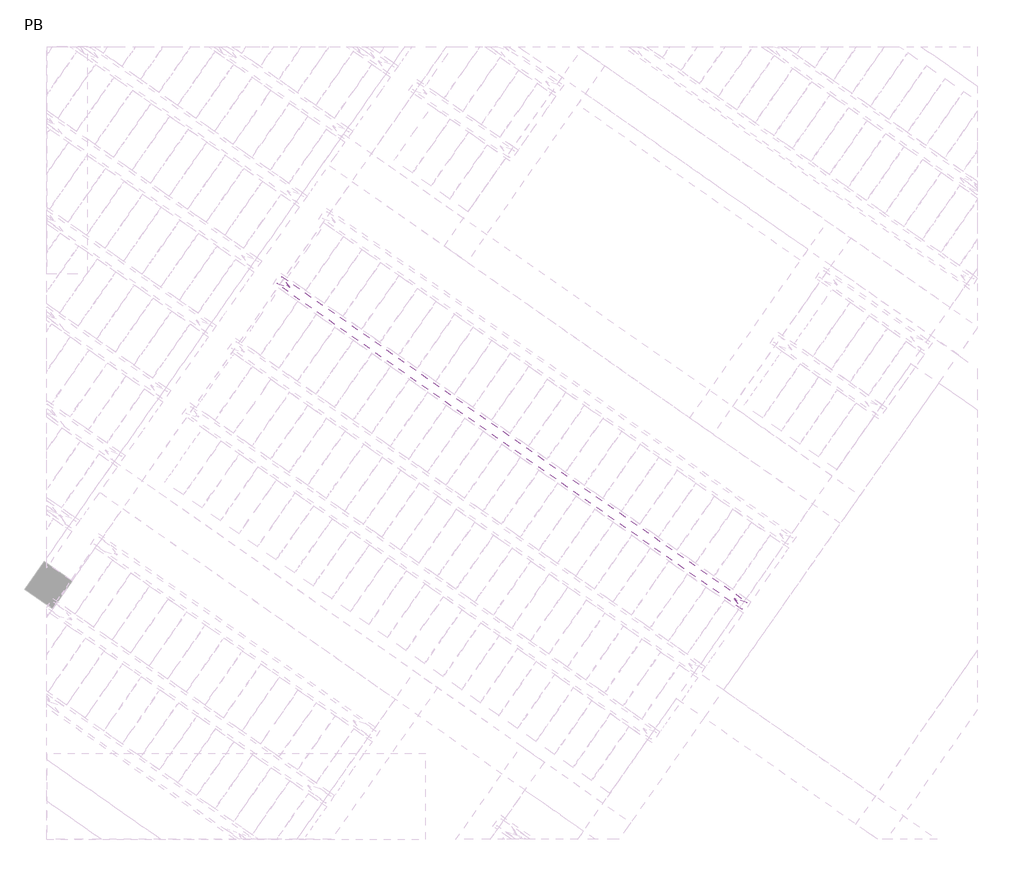
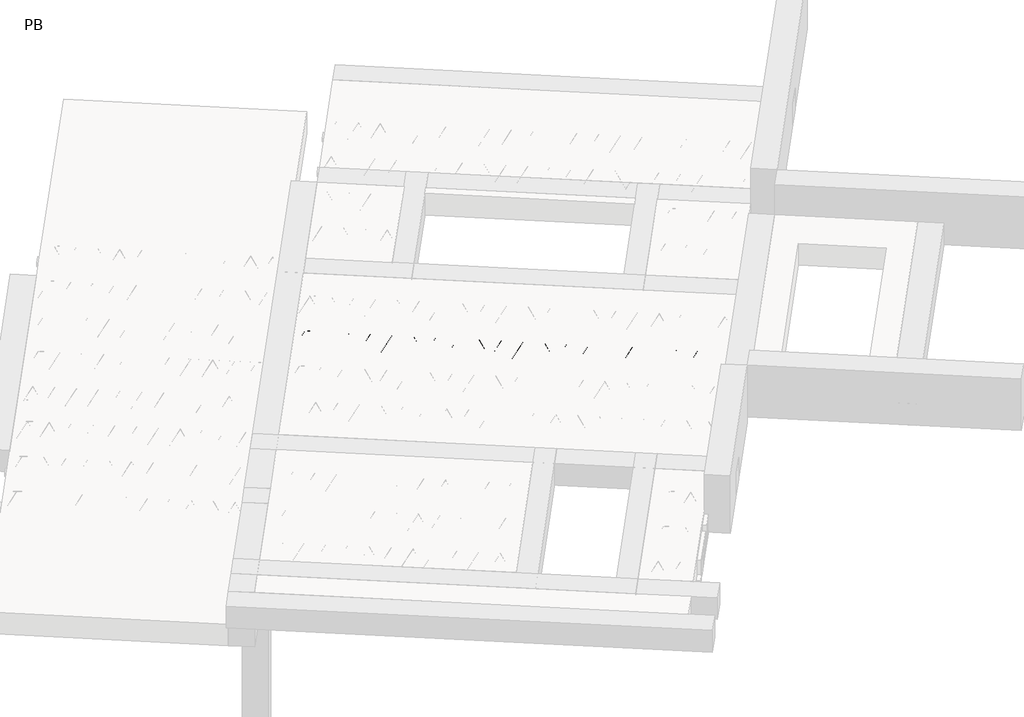
# One storey, part 23 of 56: 2 beams.
"""IFC4 building model written with IfcOpenShell, lengths in millimetres."""

from ifc_helpers import new_model, si_unit, point, frame, origin, origin_2d, place, context, project, spatial, polyline, circle_curve, trimmed, segment, composite_curve, outline, extrude, element, save

model = new_model("IFC4")

# Units and contexts
model_context = context("Model", 3, world=origin())
ifc_project = project(units=[si_unit("LENGTHUNIT", "METRE", prefix="MILLI")], contexts=[model_context])

# Site, building, storey
site = spatial("IfcSite", under=ifc_project)
building = spatial("IfcBuilding", under=site)
storey = spatial("IfcBuildingStorey", under=building, Name="PB", Elevation=95940.0)

# Beams
placement = place(None, origin())
element("IfcBeam", 1, at=placement, inside=storey, context=model_context, shape_type="SweptSolid", body=[
    extrude(outline(polyline([(4128.4861055, 4922.5047808), (4197.3152778, 5020.8030261), (8346.774221, 2115.3205944), (8277.9450486, 2017.0223491), (4128.4861055, 4922.5047808)])), frame((0.0, 0.0, 99220.0), z_axis=(0.0, 0.0, 1.0), x_axis=(1.0, 0.0, 0.0)), (0.0, 0.0, 1.0), 50.0),
])
element("IfcBeam", 2, at=placement, inside=storey, context=model_context, shape_type="SweptSolid", body=[
    extrude(outline(composite_curve([segment(trimmed(circle_curve(origin_2d(), 2.5), [point((-2.5, 0.0))], [point((2.5, 0.0))], False, "CARTESIAN"), True, "CONTINUOUS"), segment(trimmed(circle_curve(origin_2d(), 2.5), [point((2.5, 0.0))], [point((-2.5, 0.0))], False, "CARTESIAN"), True, "CONTINUOUS")], self_intersect=False)), frame((8272.051234, 2050.4478326, 99245.0), z_axis=(-0.8191520442696126, 0.5735764363787226, 0.0), x_axis=(0.5735764363787226, 0.8191520442696126, 0.0)), (0.0, 0.0, 1.0), 5017.554035),
    extrude(outline(composite_curve([segment(trimmed(circle_curve(origin_2d(), 2.5), [point((-2.5, 0.0))], [point((2.5, 0.0))], False, "CARTESIAN"), True, "CONTINUOUS"), segment(trimmed(circle_curve(origin_2d(), 2.5), [point((2.5, 0.0))], [point((-2.5, 0.0))], False, "CARTESIAN"), True, "CONTINUOUS")], self_intersect=False)), frame((8224.0738707, 2127.9898293, 99470.0), z_axis=(-0.8191520442696126, 0.5735764363787226, 0.0), x_axis=(0.5735764363787226, 0.8191520442696126, 0.0)), (0.0, 0.0, 1.0), 4850.0),
    extrude(outline(composite_curve([segment(trimmed(circle_curve(origin_2d(), 2.5), [point((-2.5, -1e-07))], [point((2.5, 0.0))], False, "CARTESIAN"), True, "CONTINUOUS"), segment(trimmed(circle_curve(origin_2d(), 2.5), [point((2.5, 0.0))], [point((-2.5, -1e-07))], False, "CARTESIAN"), True, "CONTINUOUS")], self_intersect=False)), frame((8264.8615223, 2055.482123, 99245.0), z_axis=(-0.3145304735701046, 0.38933448886848654, 0.8657304643902053), x_axis=(0.7778747638402499, 0.6284193279813057, 0.0)), (0.0, 0.0, 1.0), 259.8961331),
    extrude(outline(composite_curve([segment(trimmed(circle_curve(origin_2d(), 2.5), [point((2.5, 0.0))], [point((-2.5, 0.0))], False, "CARTESIAN"), True, "CONTINUOUS"), segment(trimmed(circle_curve(origin_2d(), 2.5), [point((-2.5, 0.0))], [point((2.5, 0.0))], False, "CARTESIAN"), True, "CONTINUOUS")], self_intersect=False)), frame((8060.0735112, 2198.8762321, 99245.0), z_axis=(0.47343050384693375, -0.16240172737369005, 0.8657304643902051), x_axis=(-0.3244721671091268, -0.9458952440791246, 0.0)), (0.0, 0.0, 1.0), 259.8961331),
    extrude(outline(composite_curve([segment(trimmed(circle_curve(origin_2d(), 2.5), [point((-2.5, 0.0))], [point((2.5, 0.0))], False, "CARTESIAN"), True, "CONTINUOUS"), segment(trimmed(circle_curve(origin_2d(), 2.5), [point((2.5, 0.0))], [point((-2.5, 0.0))], False, "CARTESIAN"), True, "CONTINUOUS")], self_intersect=False)), frame((8060.0735112, 2198.8762321, 99245.0), z_axis=(-0.3145304735701046, 0.38933448886848654, 0.8657304643902053), x_axis=(0.7778747638402499, 0.6284193279813057, 0.0)), (0.0, 0.0, 1.0), 259.8961331),
    extrude(outline(composite_curve([segment(trimmed(circle_curve(origin_2d(), 2.5), [point((2.5, 0.0))], [point((-2.5, 1e-07))], False, "CARTESIAN"), True, "CONTINUOUS"), segment(trimmed(circle_curve(origin_2d(), 2.5), [point((-2.5, 1e-07))], [point((2.5, 0.0))], False, "CARTESIAN"), True, "CONTINUOUS")], self_intersect=False)), frame((7855.2855001, 2342.2703412, 99245.0), z_axis=(0.47343050384693375, -0.16240172737369005, 0.8657304643902051), x_axis=(-0.3244721671091268, -0.9458952440791246, 0.0)), (0.0, 0.0, 1.0), 259.8961331),
    extrude(outline(composite_curve([segment(trimmed(circle_curve(origin_2d(), 2.5), [point((-2.5, -1e-07))], [point((2.5, 0.0))], False, "CARTESIAN"), True, "CONTINUOUS"), segment(trimmed(circle_curve(origin_2d(), 2.5), [point((2.5, 0.0))], [point((-2.5, -1e-07))], False, "CARTESIAN"), True, "CONTINUOUS")], self_intersect=False)), frame((7855.2855001, 2342.2703412, 99245.0), z_axis=(-0.3145304735701046, 0.38933448886848654, 0.8657304643902053), x_axis=(0.7778747638402499, 0.6284193279813057, 0.0)), (0.0, 0.0, 1.0), 259.8961331),
    extrude(outline(composite_curve([segment(trimmed(circle_curve(origin_2d(), 2.5), [point((2.5000001, 0.0))], [point((-2.5, 0.0))], False, "CARTESIAN"), True, "CONTINUOUS"), segment(trimmed(circle_curve(origin_2d(), 2.5), [point((-2.5, 0.0))], [point((2.5000001, 0.0))], False, "CARTESIAN"), True, "CONTINUOUS")], self_intersect=False)), frame((7650.4974891, 2485.6644503, 99245.0), z_axis=(0.47343050384693375, -0.16240172737369005, 0.8657304643902051), x_axis=(-0.3244721671091268, -0.9458952440791246, 0.0)), (0.0, 0.0, 1.0), 259.8961331),
    extrude(outline(composite_curve([segment(trimmed(circle_curve(origin_2d(), 2.5), [point((-2.5, -1e-07))], [point((2.5, 0.0))], False, "CARTESIAN"), True, "CONTINUOUS"), segment(trimmed(circle_curve(origin_2d(), 2.5), [point((2.5, 0.0))], [point((-2.5, -1e-07))], False, "CARTESIAN"), True, "CONTINUOUS")], self_intersect=False)), frame((7650.4974891, 2485.6644503, 99245.0), z_axis=(-0.3145304735701046, 0.38933448886848654, 0.8657304643902053), x_axis=(0.7778747638402499, 0.6284193279813057, 0.0)), (0.0, 0.0, 1.0), 259.8961331),
    extrude(outline(composite_curve([segment(trimmed(circle_curve(origin_2d(), 2.5), [point((2.5000001, 0.0))], [point((-2.5, 0.0))], False, "CARTESIAN"), True, "CONTINUOUS"), segment(trimmed(circle_curve(origin_2d(), 2.5), [point((-2.5, 0.0))], [point((2.5000001, 0.0))], False, "CARTESIAN"), True, "CONTINUOUS")], self_intersect=False)), frame((7445.709478, 2629.0585594, 99245.0), z_axis=(0.47343050384693375, -0.16240172737369005, 0.8657304643902051), x_axis=(-0.3244721671091268, -0.9458952440791246, 0.0)), (0.0, 0.0, 1.0), 259.8961331),
    extrude(outline(composite_curve([segment(trimmed(circle_curve(origin_2d(), 2.5), [point((-2.5, 0.0))], [point((2.5, 0.0))], False, "CARTESIAN"), True, "CONTINUOUS"), segment(trimmed(circle_curve(origin_2d(), 2.5), [point((2.5, 0.0))], [point((-2.5, 0.0))], False, "CARTESIAN"), True, "CONTINUOUS")], self_intersect=False)), frame((7445.7094783, 2629.0585591, 99245.0), z_axis=(-0.3145304735701046, 0.38933448886848654, 0.8657304643902053), x_axis=(0.7778747638402499, 0.6284193279813057, 0.0)), (0.0, 0.0, 1.0), 259.8961331),
    extrude(outline(composite_curve([segment(trimmed(circle_curve(origin_2d(), 2.5), [point((2.5, -1e-07))], [point((-2.5, 0.0))], False, "CARTESIAN"), True, "CONTINUOUS"), segment(trimmed(circle_curve(origin_2d(), 2.5), [point((-2.5, 0.0))], [point((2.5, -1e-07))], False, "CARTESIAN"), True, "CONTINUOUS")], self_intersect=False)), frame((7240.9214673, 2772.4526682, 99245.0), z_axis=(0.47343050384693375, -0.16240172737369005, 0.8657304643902051), x_axis=(-0.3244721671091268, -0.9458952440791246, 0.0)), (0.0, 0.0, 1.0), 259.8961331),
    extrude(outline(composite_curve([segment(trimmed(circle_curve(origin_2d(), 2.5), [point((-2.5, 0.0))], [point((2.5, 0.0))], False, "CARTESIAN"), True, "CONTINUOUS"), segment(trimmed(circle_curve(origin_2d(), 2.5), [point((2.5, 0.0))], [point((-2.5, 0.0))], False, "CARTESIAN"), True, "CONTINUOUS")], self_intersect=False)), frame((7240.9214673, 2772.4526682, 99245.0), z_axis=(-0.3145304735701046, 0.38933448886848654, 0.8657304643902053), x_axis=(0.7778747638402499, 0.6284193279813057, 0.0)), (0.0, 0.0, 1.0), 259.8961331),
    extrude(outline(composite_curve([segment(trimmed(circle_curve(origin_2d(), 2.5), [point((2.5, 0.0))], [point((-2.5, 0.0))], False, "CARTESIAN"), True, "CONTINUOUS"), segment(trimmed(circle_curve(origin_2d(), 2.5), [point((-2.5, 0.0))], [point((2.5, 0.0))], False, "CARTESIAN"), True, "CONTINUOUS")], self_intersect=False)), frame((7036.1334562, 2915.8467773, 99245.0), z_axis=(0.47343050384693375, -0.16240172737369005, 0.8657304643902051), x_axis=(-0.3244721671091268, -0.9458952440791246, 0.0)), (0.0, 0.0, 1.0), 259.8961331),
    extrude(outline(composite_curve([segment(trimmed(circle_curve(origin_2d(), 2.5), [point((-2.5, 0.0))], [point((2.5, 0.0))], False, "CARTESIAN"), True, "CONTINUOUS"), segment(trimmed(circle_curve(origin_2d(), 2.5), [point((2.5, 0.0))], [point((-2.5, 0.0))], False, "CARTESIAN"), True, "CONTINUOUS")], self_intersect=False)), frame((7036.1334562, 2915.8467773, 99245.0), z_axis=(-0.3145304735701046, 0.38933448886848654, 0.8657304643902053), x_axis=(0.7778747638402499, 0.6284193279813057, 0.0)), (0.0, 0.0, 1.0), 259.8961331),
    extrude(outline(composite_curve([segment(trimmed(circle_curve(origin_2d(), 2.5), [point((2.5, 0.0))], [point((-2.5, 0.0))], False, "CARTESIAN"), True, "CONTINUOUS"), segment(trimmed(circle_curve(origin_2d(), 2.5), [point((-2.5, 0.0))], [point((2.5, 0.0))], False, "CARTESIAN"), True, "CONTINUOUS")], self_intersect=False)), frame((6831.3454451, 3059.2408864, 99245.0), z_axis=(0.47343050384693375, -0.16240172737369005, 0.8657304643902051), x_axis=(-0.3244721671091268, -0.9458952440791246, 0.0)), (0.0, 0.0, 1.0), 259.8961331),
    extrude(outline(composite_curve([segment(trimmed(circle_curve(origin_2d(), 2.5), [point((-2.5, 0.0))], [point((2.5, 0.0))], False, "CARTESIAN"), True, "CONTINUOUS"), segment(trimmed(circle_curve(origin_2d(), 2.5), [point((2.5, 0.0))], [point((-2.5, 0.0))], False, "CARTESIAN"), True, "CONTINUOUS")], self_intersect=False)), frame((6831.3454451, 3059.2408864, 99245.0), z_axis=(-0.3145304735701046, 0.38933448886848654, 0.8657304643902053), x_axis=(0.7778747638402499, 0.6284193279813057, 0.0)), (0.0, 0.0, 1.0), 259.8961331),
    extrude(outline(composite_curve([segment(trimmed(circle_curve(origin_2d(), 2.5), [point((2.5, -1e-07))], [point((-2.5, 0.0))], False, "CARTESIAN"), True, "CONTINUOUS"), segment(trimmed(circle_curve(origin_2d(), 2.5), [point((-2.5, 0.0))], [point((2.5, -1e-07))], False, "CARTESIAN"), True, "CONTINUOUS")], self_intersect=False)), frame((6626.5574341, 3202.6349955, 99245.0), z_axis=(0.47343050384693375, -0.16240172737369005, 0.8657304643902051), x_axis=(-0.3244721671091268, -0.9458952440791246, 0.0)), (0.0, 0.0, 1.0), 259.8961331),
    extrude(outline(composite_curve([segment(trimmed(circle_curve(origin_2d(), 2.5), [point((-2.5000001, 1e-07))], [point((2.5, 0.0))], False, "CARTESIAN"), True, "CONTINUOUS"), segment(trimmed(circle_curve(origin_2d(), 2.5), [point((2.5, 0.0))], [point((-2.5000001, 1e-07))], False, "CARTESIAN"), True, "CONTINUOUS")], self_intersect=False)), frame((6626.5574341, 3202.6349955, 99245.0), z_axis=(-0.3145304735701046, 0.38933448886848654, 0.8657304643902053), x_axis=(0.7778747638402499, 0.6284193279813057, 0.0)), (0.0, 0.0, 1.0), 259.8961331),
    extrude(outline(composite_curve([segment(trimmed(circle_curve(origin_2d(), 2.5), [point((2.5, 0.0))], [point((-2.5, 0.0))], False, "CARTESIAN"), True, "CONTINUOUS"), segment(trimmed(circle_curve(origin_2d(), 2.5), [point((-2.5, 0.0))], [point((2.5, 0.0))], False, "CARTESIAN"), True, "CONTINUOUS")], self_intersect=False)), frame((6421.769423, 3346.0291046, 99245.0), z_axis=(0.47343050384693375, -0.16240172737369005, 0.8657304643902051), x_axis=(-0.3244721671091268, -0.9458952440791246, 0.0)), (0.0, 0.0, 1.0), 259.8961331),
    extrude(outline(composite_curve([segment(trimmed(circle_curve(origin_2d(), 2.5), [point((-2.5, 0.0))], [point((2.5, 0.0))], False, "CARTESIAN"), True, "CONTINUOUS"), segment(trimmed(circle_curve(origin_2d(), 2.5), [point((2.5, 0.0))], [point((-2.5, 0.0))], False, "CARTESIAN"), True, "CONTINUOUS")], self_intersect=False)), frame((6421.769423, 3346.0291046, 99245.0), z_axis=(-0.3145304735701046, 0.38933448886848654, 0.8657304643902053), x_axis=(0.7778747638402499, 0.6284193279813057, 0.0)), (0.0, 0.0, 1.0), 259.8961331),
    extrude(outline(composite_curve([segment(trimmed(circle_curve(origin_2d(), 2.5), [point((2.5, 0.0))], [point((-2.5, 0.0))], False, "CARTESIAN"), True, "CONTINUOUS"), segment(trimmed(circle_curve(origin_2d(), 2.5), [point((-2.5, 0.0))], [point((2.5, 0.0))], False, "CARTESIAN"), True, "CONTINUOUS")], self_intersect=False)), frame((6216.9814119, 3489.4232137, 99245.0), z_axis=(0.47343050384693375, -0.16240172737369005, 0.8657304643902051), x_axis=(-0.3244721671091268, -0.9458952440791246, 0.0)), (0.0, 0.0, 1.0), 259.8961331),
    extrude(outline(composite_curve([segment(trimmed(circle_curve(origin_2d(), 2.5), [point((-2.5, 0.0))], [point((2.5, 0.0))], False, "CARTESIAN"), True, "CONTINUOUS"), segment(trimmed(circle_curve(origin_2d(), 2.5), [point((2.5, 0.0))], [point((-2.5, 0.0))], False, "CARTESIAN"), True, "CONTINUOUS")], self_intersect=False)), frame((6216.9814119, 3489.4232137, 99245.0), z_axis=(-0.3145304735701046, 0.38933448886848654, 0.8657304643902053), x_axis=(0.7778747638402499, 0.6284193279813057, 0.0)), (0.0, 0.0, 1.0), 259.8961331),
    extrude(outline(composite_curve([segment(trimmed(circle_curve(origin_2d(), 2.5), [point((2.5, -1e-07))], [point((-2.5, 0.0))], False, "CARTESIAN"), True, "CONTINUOUS"), segment(trimmed(circle_curve(origin_2d(), 2.5), [point((-2.5, 0.0))], [point((2.5, -1e-07))], False, "CARTESIAN"), True, "CONTINUOUS")], self_intersect=False)), frame((6012.1934009, 3632.8173228, 99245.0), z_axis=(0.47343050384693375, -0.16240172737369005, 0.8657304643902051), x_axis=(-0.3244721671091268, -0.9458952440791246, 0.0)), (0.0, 0.0, 1.0), 259.8961331),
    extrude(outline(composite_curve([segment(trimmed(circle_curve(origin_2d(), 2.5), [point((-2.5000001, 1e-07))], [point((2.5, 0.0))], False, "CARTESIAN"), True, "CONTINUOUS"), segment(trimmed(circle_curve(origin_2d(), 2.5), [point((2.5, 0.0))], [point((-2.5000001, 1e-07))], False, "CARTESIAN"), True, "CONTINUOUS")], self_intersect=False)), frame((6012.1934009, 3632.8173228, 99245.0), z_axis=(-0.3145304735701046, 0.38933448886848654, 0.8657304643902053), x_axis=(0.7778747638402499, 0.6284193279813057, 0.0)), (0.0, 0.0, 1.0), 259.8961331),
    extrude(outline(composite_curve([segment(trimmed(circle_curve(origin_2d(), 2.5), [point((2.5, 0.0))], [point((-2.5, 0.0))], False, "CARTESIAN"), True, "CONTINUOUS"), segment(trimmed(circle_curve(origin_2d(), 2.5), [point((-2.5, 0.0))], [point((2.5, 0.0))], False, "CARTESIAN"), True, "CONTINUOUS")], self_intersect=False)), frame((5807.4053898, 3776.2114319, 99245.0), z_axis=(0.47343050384693375, -0.16240172737369005, 0.8657304643902051), x_axis=(-0.3244721671091268, -0.9458952440791246, 0.0)), (0.0, 0.0, 1.0), 259.8961331),
    extrude(outline(composite_curve([segment(trimmed(circle_curve(origin_2d(), 2.5), [point((-2.5, 0.0))], [point((2.5, 0.0))], False, "CARTESIAN"), True, "CONTINUOUS"), segment(trimmed(circle_curve(origin_2d(), 2.5), [point((2.5, 0.0))], [point((-2.5, 0.0))], False, "CARTESIAN"), True, "CONTINUOUS")], self_intersect=False)), frame((5807.4053898, 3776.2114319, 99245.0), z_axis=(-0.3145304735701046, 0.38933448886848654, 0.8657304643902053), x_axis=(0.7778747638402499, 0.6284193279813057, 0.0)), (0.0, 0.0, 1.0), 259.8961331),
    extrude(outline(composite_curve([segment(trimmed(circle_curve(origin_2d(), 2.5), [point((2.5, 0.0))], [point((-2.5, 0.0))], False, "CARTESIAN"), True, "CONTINUOUS"), segment(trimmed(circle_curve(origin_2d(), 2.5), [point((-2.5, 0.0))], [point((2.5, 0.0))], False, "CARTESIAN"), True, "CONTINUOUS")], self_intersect=False)), frame((5602.6173787, 3919.605541, 99245.0), z_axis=(0.47343050384693375, -0.16240172737369005, 0.8657304643902051), x_axis=(-0.3244721671091268, -0.9458952440791246, 0.0)), (0.0, 0.0, 1.0), 259.8961331),
    extrude(outline(composite_curve([segment(trimmed(circle_curve(origin_2d(), 2.5), [point((-2.5, 0.0))], [point((2.5, 0.0))], False, "CARTESIAN"), True, "CONTINUOUS"), segment(trimmed(circle_curve(origin_2d(), 2.5), [point((2.5, 0.0))], [point((-2.5, 0.0))], False, "CARTESIAN"), True, "CONTINUOUS")], self_intersect=False)), frame((5602.6173787, 3919.605541, 99245.0), z_axis=(-0.3145304735701046, 0.38933448886848654, 0.8657304643902053), x_axis=(0.7778747638402499, 0.6284193279813057, 0.0)), (0.0, 0.0, 1.0), 259.8961331),
    extrude(outline(composite_curve([segment(trimmed(circle_curve(origin_2d(), 2.5), [point((2.5, -1e-07))], [point((-2.5, 0.0))], False, "CARTESIAN"), True, "CONTINUOUS"), segment(trimmed(circle_curve(origin_2d(), 2.5), [point((-2.5, 0.0))], [point((2.5, -1e-07))], False, "CARTESIAN"), True, "CONTINUOUS")], self_intersect=False)), frame((5397.8293677, 4062.9996501, 99245.0), z_axis=(0.47343050384693375, -0.16240172737369005, 0.8657304643902051), x_axis=(-0.3244721671091268, -0.9458952440791246, 0.0)), (0.0, 0.0, 1.0), 259.8961331),
    extrude(outline(composite_curve([segment(trimmed(circle_curve(origin_2d(), 2.5), [point((-2.5000001, 1e-07))], [point((2.5, 0.0))], False, "CARTESIAN"), True, "CONTINUOUS"), segment(trimmed(circle_curve(origin_2d(), 2.5), [point((2.5, 0.0))], [point((-2.5000001, 1e-07))], False, "CARTESIAN"), True, "CONTINUOUS")], self_intersect=False)), frame((5397.8293677, 4062.9996501, 99245.0), z_axis=(-0.3145304735701046, 0.38933448886848654, 0.8657304643902053), x_axis=(0.7778747638402499, 0.6284193279813057, 0.0)), (0.0, 0.0, 1.0), 259.8961331),
    extrude(outline(composite_curve([segment(trimmed(circle_curve(origin_2d(), 2.5), [point((2.5, 0.0))], [point((-2.5, 0.0))], False, "CARTESIAN"), True, "CONTINUOUS"), segment(trimmed(circle_curve(origin_2d(), 2.5), [point((-2.5, 0.0))], [point((2.5, 0.0))], False, "CARTESIAN"), True, "CONTINUOUS")], self_intersect=False)), frame((5193.0413566, 4206.3937592, 99245.0), z_axis=(0.47343050384693375, -0.16240172737369005, 0.8657304643902051), x_axis=(-0.3244721671091268, -0.9458952440791246, 0.0)), (0.0, 0.0, 1.0), 259.8961331),
    extrude(outline(composite_curve([segment(trimmed(circle_curve(origin_2d(), 2.5), [point((-2.5, -1e-07))], [point((2.5, 0.0))], False, "CARTESIAN"), True, "CONTINUOUS"), segment(trimmed(circle_curve(origin_2d(), 2.5), [point((2.5, 0.0))], [point((-2.5, -1e-07))], False, "CARTESIAN"), True, "CONTINUOUS")], self_intersect=False)), frame((5193.0413566, 4206.3937592, 99245.0), z_axis=(-0.3145304735701046, 0.38933448886848654, 0.8657304643902053), x_axis=(0.7778747638402499, 0.6284193279813057, 0.0)), (0.0, 0.0, 1.0), 259.8961331),
    extrude(outline(composite_curve([segment(trimmed(circle_curve(origin_2d(), 2.5), [point((2.5, 0.0))], [point((-2.5, 0.0))], False, "CARTESIAN"), True, "CONTINUOUS"), segment(trimmed(circle_curve(origin_2d(), 2.5), [point((-2.5, 0.0))], [point((2.5, 0.0))], False, "CARTESIAN"), True, "CONTINUOUS")], self_intersect=False)), frame((4988.2533455, 4349.7878683, 99245.0), z_axis=(0.47343050384693375, -0.16240172737369005, 0.8657304643902051), x_axis=(-0.3244721671091268, -0.9458952440791246, 0.0)), (0.0, 0.0, 1.0), 259.8961331),
    extrude(outline(composite_curve([segment(trimmed(circle_curve(origin_2d(), 2.5), [point((-2.5, -1e-07))], [point((2.5, 0.0))], False, "CARTESIAN"), True, "CONTINUOUS"), segment(trimmed(circle_curve(origin_2d(), 2.5), [point((2.5, 0.0))], [point((-2.5, -1e-07))], False, "CARTESIAN"), True, "CONTINUOUS")], self_intersect=False)), frame((4988.2533455, 4349.7878683, 99245.0), z_axis=(-0.3145304735701046, 0.38933448886848654, 0.8657304643902053), x_axis=(0.7778747638402499, 0.6284193279813057, 0.0)), (0.0, 0.0, 1.0), 259.8961331),
    extrude(outline(composite_curve([segment(trimmed(circle_curve(origin_2d(), 2.5), [point((2.5000001, 0.0))], [point((-2.5, 0.0))], False, "CARTESIAN"), True, "CONTINUOUS"), segment(trimmed(circle_curve(origin_2d(), 2.5), [point((-2.5, 0.0))], [point((2.5000001, 0.0))], False, "CARTESIAN"), True, "CONTINUOUS")], self_intersect=False)), frame((4783.4653345, 4493.1819774, 99245.0), z_axis=(0.47343050384693375, -0.16240172737369005, 0.8657304643902051), x_axis=(-0.3244721671091268, -0.9458952440791246, 0.0)), (0.0, 0.0, 1.0), 259.8961331),
    extrude(outline(composite_curve([segment(trimmed(circle_curve(origin_2d(), 2.5), [point((-2.5000001, 0.0))], [point((2.5, 0.0))], False, "CARTESIAN"), True, "CONTINUOUS"), segment(trimmed(circle_curve(origin_2d(), 2.5), [point((2.5, 0.0))], [point((-2.5000001, 0.0))], False, "CARTESIAN"), True, "CONTINUOUS")], self_intersect=False)), frame((4783.4653345, 4493.1819774, 99245.0), z_axis=(-0.3145304735701046, 0.38933448886848654, 0.8657304643902053), x_axis=(0.7778747638402499, 0.6284193279813057, 0.0)), (0.0, 0.0, 1.0), 259.8961331),
    extrude(outline(composite_curve([segment(trimmed(circle_curve(origin_2d(), 2.5), [point((2.5000001, 0.0))], [point((-2.5, 0.0))], False, "CARTESIAN"), True, "CONTINUOUS"), segment(trimmed(circle_curve(origin_2d(), 2.5), [point((-2.5, 0.0))], [point((2.5000001, 0.0))], False, "CARTESIAN"), True, "CONTINUOUS")], self_intersect=False)), frame((4578.6773234, 4636.5760865, 99245.0), z_axis=(0.47343050384693375, -0.16240172737369005, 0.8657304643902051), x_axis=(-0.3244721671091268, -0.9458952440791246, 0.0)), (0.0, 0.0, 1.0), 259.8961331),
    extrude(outline(composite_curve([segment(trimmed(circle_curve(origin_2d(), 2.5), [point((-2.5, -1e-07))], [point((2.5, 0.0))], False, "CARTESIAN"), True, "CONTINUOUS"), segment(trimmed(circle_curve(origin_2d(), 2.5), [point((2.5, 0.0))], [point((-2.5, -1e-07))], False, "CARTESIAN"), True, "CONTINUOUS")], self_intersect=False)), frame((4578.6773234, 4636.5760865, 99245.0), z_axis=(-0.3145304735701046, 0.38933448886848654, 0.8657304643902053), x_axis=(0.7778747638402499, 0.6284193279813057, 0.0)), (0.0, 0.0, 1.0), 259.8961331),
    extrude(outline(composite_curve([segment(trimmed(circle_curve(origin_2d(), 2.5), [point((2.5, 0.0))], [point((-2.5000001, 0.0))], False, "CARTESIAN"), True, "CONTINUOUS"), segment(trimmed(circle_curve(origin_2d(), 2.5), [point((-2.5000001, 0.0))], [point((2.5, 0.0))], False, "CARTESIAN"), True, "CONTINUOUS")], self_intersect=False)), frame((4373.8893123, 4779.9701955, 99245.0), z_axis=(0.47343050384693375, -0.16240172737369005, 0.8657304643902051), x_axis=(-0.3244721671091268, -0.9458952440791246, 0.0)), (0.0, 0.0, 1.0), 259.8961331),
    extrude(outline(composite_curve([segment(trimmed(circle_curve(origin_2d(), 2.5), [point((-2.5, 0.0))], [point((2.5, 1e-07))], False, "CARTESIAN"), True, "CONTINUOUS"), segment(trimmed(circle_curve(origin_2d(), 2.5), [point((2.5, 1e-07))], [point((-2.5, 0.0))], False, "CARTESIAN"), True, "CONTINUOUS")], self_intersect=False)), frame((4373.8893123, 4779.9701955, 99245.0), z_axis=(-0.3145304735701046, 0.38933448886848654, 0.8657304643902053), x_axis=(0.7778747638402499, 0.6284193279813057, 0.0)), (0.0, 0.0, 1.0), 259.8961331),
    extrude(outline(composite_curve([segment(trimmed(circle_curve(origin_2d(), 2.5), [point((2.5, -1e-07))], [point((-2.5000001, 0.0))], False, "CARTESIAN"), True, "CONTINUOUS"), segment(trimmed(circle_curve(origin_2d(), 2.5), [point((-2.5000001, 0.0))], [point((2.5, -1e-07))], False, "CARTESIAN"), True, "CONTINUOUS")], self_intersect=False)), frame((4169.1013013, 4923.3643046, 99245.0), z_axis=(0.47343050384693375, -0.16240172737369005, 0.8657304643902051), x_axis=(-0.3244721671091268, -0.9458952440791246, 0.0)), (0.0, 0.0, 1.0), 259.8961331),
    extrude(outline(composite_curve([segment(trimmed(circle_curve(origin_2d(), 2.5), [point((-2.5, 0.0))], [point((2.5, 0.0))], False, "CARTESIAN"), True, "CONTINUOUS"), segment(trimmed(circle_curve(origin_2d(), 2.5), [point((2.5, 0.0))], [point((-2.5, 0.0))], False, "CARTESIAN"), True, "CONTINUOUS")], self_intersect=False)), frame((8313.3487374, 2109.4267798, 99245.0), z_axis=(-0.8191520442696126, 0.5735764363787226, 0.0), x_axis=(0.5735764363787226, 0.8191520442696126, 0.0)), (0.0, 0.0, 1.0), 5017.554035),
    extrude(outline(composite_curve([segment(trimmed(circle_curve(origin_2d(), 2.5), [point((-2.5000001, 0.0))], [point((2.5, 0.0))], False, "CARTESIAN"), True, "CONTINUOUS"), segment(trimmed(circle_curve(origin_2d(), 2.5), [point((2.5, 0.0))], [point((-2.5000001, 0.0))], False, "CARTESIAN"), True, "CONTINUOUS")], self_intersect=False)), frame((8306.1590257, 2114.4610702, 99245.0), z_axis=(-0.47343050384693375, 0.16240172737369005, 0.8657304643902051), x_axis=(0.3244721671091268, 0.9458952440791246, 0.0)), (0.0, 0.0, 1.0), 259.8961331),
    extrude(outline(composite_curve([segment(trimmed(circle_curve(origin_2d(), 2.5), [point((2.5, 1e-07))], [point((-2.5, 0.0))], False, "CARTESIAN"), True, "CONTINUOUS"), segment(trimmed(circle_curve(origin_2d(), 2.5), [point((-2.5, 0.0))], [point((2.5, 1e-07))], False, "CARTESIAN"), True, "CONTINUOUS")], self_intersect=False)), frame((8101.3710146, 2257.8551793, 99245.0), z_axis=(0.3145304735701046, -0.38933448886848654, 0.8657304643902053), x_axis=(-0.7778747638402499, -0.6284193279813057, 0.0)), (0.0, 0.0, 1.0), 259.8961331),
    extrude(outline(composite_curve([segment(trimmed(circle_curve(origin_2d(), 2.5), [point((-2.5000001, 0.0))], [point((2.5, 0.0))], False, "CARTESIAN"), True, "CONTINUOUS"), segment(trimmed(circle_curve(origin_2d(), 2.5), [point((2.5, 0.0))], [point((-2.5000001, 0.0))], False, "CARTESIAN"), True, "CONTINUOUS")], self_intersect=False)), frame((8101.3710146, 2257.8551793, 99245.0), z_axis=(-0.47343050384693375, 0.16240172737369005, 0.8657304643902051), x_axis=(0.3244721671091268, 0.9458952440791246, 0.0)), (0.0, 0.0, 1.0), 259.8961331),
    extrude(outline(composite_curve([segment(trimmed(circle_curve(origin_2d(), 2.5), [point((2.5000001, 0.0))], [point((-2.5, 0.0))], False, "CARTESIAN"), True, "CONTINUOUS"), segment(trimmed(circle_curve(origin_2d(), 2.5), [point((-2.5, 0.0))], [point((2.5000001, 0.0))], False, "CARTESIAN"), True, "CONTINUOUS")], self_intersect=False)), frame((7896.5830036, 2401.2492884, 99245.0), z_axis=(0.3145304735701046, -0.38933448886848654, 0.8657304643902053), x_axis=(-0.7778747638402499, -0.6284193279813057, 0.0)), (0.0, 0.0, 1.0), 259.8961331),
    extrude(outline(composite_curve([segment(trimmed(circle_curve(origin_2d(), 2.5), [point((-2.5000001, 0.0))], [point((2.5, 0.0))], False, "CARTESIAN"), True, "CONTINUOUS"), segment(trimmed(circle_curve(origin_2d(), 2.5), [point((2.5, 0.0))], [point((-2.5000001, 0.0))], False, "CARTESIAN"), True, "CONTINUOUS")], self_intersect=False)), frame((7896.5830036, 2401.2492884, 99245.0), z_axis=(-0.47343050384693375, 0.16240172737369005, 0.8657304643902051), x_axis=(0.3244721671091268, 0.9458952440791246, 0.0)), (0.0, 0.0, 1.0), 259.8961331),
    extrude(outline(composite_curve([segment(trimmed(circle_curve(origin_2d(), 2.5), [point((2.5, 0.0))], [point((-2.5, -1e-07))], False, "CARTESIAN"), True, "CONTINUOUS"), segment(trimmed(circle_curve(origin_2d(), 2.5), [point((-2.5, -1e-07))], [point((2.5, 0.0))], False, "CARTESIAN"), True, "CONTINUOUS")], self_intersect=False)), frame((7691.7949925, 2544.6433974, 99245.0), z_axis=(0.3145304735701046, -0.38933448886848654, 0.8657304643902053), x_axis=(-0.7778747638402499, -0.6284193279813057, 0.0)), (0.0, 0.0, 1.0), 259.8961331),
    extrude(outline(composite_curve([segment(trimmed(circle_curve(origin_2d(), 2.5), [point((-2.5, 0.0))], [point((2.5000001, 0.0))], False, "CARTESIAN"), True, "CONTINUOUS"), segment(trimmed(circle_curve(origin_2d(), 2.5), [point((2.5000001, 0.0))], [point((-2.5, 0.0))], False, "CARTESIAN"), True, "CONTINUOUS")], self_intersect=False)), frame((7691.7949925, 2544.6433974, 99245.0), z_axis=(-0.47343050384693375, 0.16240172737369005, 0.8657304643902051), x_axis=(0.3244721671091268, 0.9458952440791246, 0.0)), (0.0, 0.0, 1.0), 259.8961331),
    extrude(outline(composite_curve([segment(trimmed(circle_curve(origin_2d(), 2.5), [point((2.5, 0.0))], [point((-2.5, -1e-07))], False, "CARTESIAN"), True, "CONTINUOUS"), segment(trimmed(circle_curve(origin_2d(), 2.5), [point((-2.5, -1e-07))], [point((2.5, 0.0))], False, "CARTESIAN"), True, "CONTINUOUS")], self_intersect=False)), frame((7487.0069814, 2688.0375065, 99245.0), z_axis=(0.3145304735701046, -0.38933448886848654, 0.8657304643902053), x_axis=(-0.7778747638402499, -0.6284193279813057, 0.0)), (0.0, 0.0, 1.0), 259.8961331),
    extrude(outline(composite_curve([segment(trimmed(circle_curve(origin_2d(), 2.5), [point((-2.5, 0.0))], [point((2.5, -1e-07))], False, "CARTESIAN"), True, "CONTINUOUS"), segment(trimmed(circle_curve(origin_2d(), 2.5), [point((2.5, -1e-07))], [point((-2.5, 0.0))], False, "CARTESIAN"), True, "CONTINUOUS")], self_intersect=False)), frame((7487.0069817, 2688.0375063, 99245.0), z_axis=(-0.47343050384693375, 0.16240172737369005, 0.8657304643902051), x_axis=(0.3244721671091268, 0.9458952440791246, 0.0)), (0.0, 0.0, 1.0), 259.8961331),
    extrude(outline(composite_curve([segment(trimmed(circle_curve(origin_2d(), 2.5), [point((2.5, 0.0))], [point((-2.5, 0.0))], False, "CARTESIAN"), True, "CONTINUOUS"), segment(trimmed(circle_curve(origin_2d(), 2.5), [point((-2.5, 0.0))], [point((2.5, 0.0))], False, "CARTESIAN"), True, "CONTINUOUS")], self_intersect=False)), frame((7282.2189707, 2831.4316154, 99245.0), z_axis=(0.3145304735701046, -0.38933448886848654, 0.8657304643902053), x_axis=(-0.7778747638402499, -0.6284193279813057, 0.0)), (0.0, 0.0, 1.0), 259.8961331),
    extrude(outline(composite_curve([segment(trimmed(circle_curve(origin_2d(), 2.5), [point((-2.5, 0.0))], [point((2.5, 0.0))], False, "CARTESIAN"), True, "CONTINUOUS"), segment(trimmed(circle_curve(origin_2d(), 2.5), [point((2.5, 0.0))], [point((-2.5, 0.0))], False, "CARTESIAN"), True, "CONTINUOUS")], self_intersect=False)), frame((7282.2189707, 2831.4316154, 99245.0), z_axis=(-0.47343050384693375, 0.16240172737369005, 0.8657304643902051), x_axis=(0.3244721671091268, 0.9458952440791246, 0.0)), (0.0, 0.0, 1.0), 259.8961331),
    extrude(outline(composite_curve([segment(trimmed(circle_curve(origin_2d(), 2.5), [point((2.5, 0.0))], [point((-2.5, 0.0))], False, "CARTESIAN"), True, "CONTINUOUS"), segment(trimmed(circle_curve(origin_2d(), 2.5), [point((-2.5, 0.0))], [point((2.5, 0.0))], False, "CARTESIAN"), True, "CONTINUOUS")], self_intersect=False)), frame((7077.4309596, 2974.8257245, 99245.0), z_axis=(0.3145304735701046, -0.38933448886848654, 0.8657304643902053), x_axis=(-0.7778747638402499, -0.6284193279813057, 0.0)), (0.0, 0.0, 1.0), 259.8961331),
    extrude(outline(composite_curve([segment(trimmed(circle_curve(origin_2d(), 2.5), [point((-2.5, 0.0))], [point((2.5, 0.0))], False, "CARTESIAN"), True, "CONTINUOUS"), segment(trimmed(circle_curve(origin_2d(), 2.5), [point((2.5, 0.0))], [point((-2.5, 0.0))], False, "CARTESIAN"), True, "CONTINUOUS")], self_intersect=False)), frame((7077.4309596, 2974.8257245, 99245.0), z_axis=(-0.47343050384693375, 0.16240172737369005, 0.8657304643902051), x_axis=(0.3244721671091268, 0.9458952440791246, 0.0)), (0.0, 0.0, 1.0), 259.8961331),
    extrude(outline(composite_curve([segment(trimmed(circle_curve(origin_2d(), 2.5), [point((2.5, 0.0))], [point((-2.5000001, 1e-07))], False, "CARTESIAN"), True, "CONTINUOUS"), segment(trimmed(circle_curve(origin_2d(), 2.5), [point((-2.5000001, 1e-07))], [point((2.5, 0.0))], False, "CARTESIAN"), True, "CONTINUOUS")], self_intersect=False)), frame((6872.6429485, 3118.2198336, 99245.0), z_axis=(0.3145304735701046, -0.38933448886848654, 0.8657304643902053), x_axis=(-0.7778747638402499, -0.6284193279813057, 0.0)), (0.0, 0.0, 1.0), 259.8961331),
    extrude(outline(composite_curve([segment(trimmed(circle_curve(origin_2d(), 2.5), [point((-2.5, 0.0))], [point((2.5, -1e-07))], False, "CARTESIAN"), True, "CONTINUOUS"), segment(trimmed(circle_curve(origin_2d(), 2.5), [point((2.5, -1e-07))], [point((-2.5, 0.0))], False, "CARTESIAN"), True, "CONTINUOUS")], self_intersect=False)), frame((6872.6429485, 3118.2198336, 99245.0), z_axis=(-0.47343050384693375, 0.16240172737369005, 0.8657304643902051), x_axis=(0.3244721671091268, 0.9458952440791246, 0.0)), (0.0, 0.0, 1.0), 259.8961331),
    extrude(outline(composite_curve([segment(trimmed(circle_curve(origin_2d(), 2.5), [point((2.5, 0.0))], [point((-2.5, 0.0))], False, "CARTESIAN"), True, "CONTINUOUS"), segment(trimmed(circle_curve(origin_2d(), 2.5), [point((-2.5, 0.0))], [point((2.5, 0.0))], False, "CARTESIAN"), True, "CONTINUOUS")], self_intersect=False)), frame((6667.8549375, 3261.6139427, 99245.0), z_axis=(0.3145304735701046, -0.38933448886848654, 0.8657304643902053), x_axis=(-0.7778747638402499, -0.6284193279813057, 0.0)), (0.0, 0.0, 1.0), 259.8961331),
    extrude(outline(composite_curve([segment(trimmed(circle_curve(origin_2d(), 2.5), [point((-2.5, 0.0))], [point((2.5, 0.0))], False, "CARTESIAN"), True, "CONTINUOUS"), segment(trimmed(circle_curve(origin_2d(), 2.5), [point((2.5, 0.0))], [point((-2.5, 0.0))], False, "CARTESIAN"), True, "CONTINUOUS")], self_intersect=False)), frame((6667.8549375, 3261.6139427, 99245.0), z_axis=(-0.47343050384693375, 0.16240172737369005, 0.8657304643902051), x_axis=(0.3244721671091268, 0.9458952440791246, 0.0)), (0.0, 0.0, 1.0), 259.8961331),
    extrude(outline(composite_curve([segment(trimmed(circle_curve(origin_2d(), 2.5), [point((2.5, 0.0))], [point((-2.5, 0.0))], False, "CARTESIAN"), True, "CONTINUOUS"), segment(trimmed(circle_curve(origin_2d(), 2.5), [point((-2.5, 0.0))], [point((2.5, 0.0))], False, "CARTESIAN"), True, "CONTINUOUS")], self_intersect=False)), frame((6463.0669264, 3405.0080518, 99245.0), z_axis=(0.3145304735701046, -0.38933448886848654, 0.8657304643902053), x_axis=(-0.7778747638402499, -0.6284193279813057, 0.0)), (0.0, 0.0, 1.0), 259.8961331),
    extrude(outline(composite_curve([segment(trimmed(circle_curve(origin_2d(), 2.5), [point((-2.5, 0.0))], [point((2.5, 0.0))], False, "CARTESIAN"), True, "CONTINUOUS"), segment(trimmed(circle_curve(origin_2d(), 2.5), [point((2.5, 0.0))], [point((-2.5, 0.0))], False, "CARTESIAN"), True, "CONTINUOUS")], self_intersect=False)), frame((6463.0669264, 3405.0080518, 99245.0), z_axis=(-0.47343050384693375, 0.16240172737369005, 0.8657304643902051), x_axis=(0.3244721671091268, 0.9458952440791246, 0.0)), (0.0, 0.0, 1.0), 259.8961331),
    extrude(outline(composite_curve([segment(trimmed(circle_curve(origin_2d(), 2.5), [point((2.5, 0.0))], [point((-2.5000001, 1e-07))], False, "CARTESIAN"), True, "CONTINUOUS"), segment(trimmed(circle_curve(origin_2d(), 2.5), [point((-2.5000001, 1e-07))], [point((2.5, 0.0))], False, "CARTESIAN"), True, "CONTINUOUS")], self_intersect=False)), frame((6258.2789153, 3548.4021609, 99245.0), z_axis=(0.3145304735701046, -0.38933448886848654, 0.8657304643902053), x_axis=(-0.7778747638402499, -0.6284193279813057, 0.0)), (0.0, 0.0, 1.0), 259.8961331),
    extrude(outline(composite_curve([segment(trimmed(circle_curve(origin_2d(), 2.5), [point((-2.5, 0.0))], [point((2.5, -1e-07))], False, "CARTESIAN"), True, "CONTINUOUS"), segment(trimmed(circle_curve(origin_2d(), 2.5), [point((2.5, -1e-07))], [point((-2.5, 0.0))], False, "CARTESIAN"), True, "CONTINUOUS")], self_intersect=False)), frame((6258.2789153, 3548.4021609, 99245.0), z_axis=(-0.47343050384693375, 0.16240172737369005, 0.8657304643902051), x_axis=(0.3244721671091268, 0.9458952440791246, 0.0)), (0.0, 0.0, 1.0), 259.8961331),
    extrude(outline(composite_curve([segment(trimmed(circle_curve(origin_2d(), 2.5), [point((2.5, 0.0))], [point((-2.5, 0.0))], False, "CARTESIAN"), True, "CONTINUOUS"), segment(trimmed(circle_curve(origin_2d(), 2.5), [point((-2.5, 0.0))], [point((2.5, 0.0))], False, "CARTESIAN"), True, "CONTINUOUS")], self_intersect=False)), frame((6053.4909043, 3691.79627, 99245.0), z_axis=(0.3145304735701046, -0.38933448886848654, 0.8657304643902053), x_axis=(-0.7778747638402499, -0.6284193279813057, 0.0)), (0.0, 0.0, 1.0), 259.8961331),
    extrude(outline(composite_curve([segment(trimmed(circle_curve(origin_2d(), 2.5), [point((-2.5, 0.0))], [point((2.5, 0.0))], False, "CARTESIAN"), True, "CONTINUOUS"), segment(trimmed(circle_curve(origin_2d(), 2.5), [point((2.5, 0.0))], [point((-2.5, 0.0))], False, "CARTESIAN"), True, "CONTINUOUS")], self_intersect=False)), frame((6053.4909043, 3691.79627, 99245.0), z_axis=(-0.47343050384693375, 0.16240172737369005, 0.8657304643902051), x_axis=(0.3244721671091268, 0.9458952440791246, 0.0)), (0.0, 0.0, 1.0), 259.8961331),
    extrude(outline(composite_curve([segment(trimmed(circle_curve(origin_2d(), 2.5), [point((2.5, 1e-07))], [point((-2.5, 0.0))], False, "CARTESIAN"), True, "CONTINUOUS"), segment(trimmed(circle_curve(origin_2d(), 2.5), [point((-2.5, 0.0))], [point((2.5, 1e-07))], False, "CARTESIAN"), True, "CONTINUOUS")], self_intersect=False)), frame((5848.7028932, 3835.1903791, 99245.0), z_axis=(0.3145304735701046, -0.38933448886848654, 0.8657304643902053), x_axis=(-0.7778747638402499, -0.6284193279813057, 0.0)), (0.0, 0.0, 1.0), 259.8961331),
    extrude(outline(composite_curve([segment(trimmed(circle_curve(origin_2d(), 2.5), [point((-2.5, 0.0))], [point((2.5, 0.0))], False, "CARTESIAN"), True, "CONTINUOUS"), segment(trimmed(circle_curve(origin_2d(), 2.5), [point((2.5, 0.0))], [point((-2.5, 0.0))], False, "CARTESIAN"), True, "CONTINUOUS")], self_intersect=False)), frame((5848.7028932, 3835.1903791, 99245.0), z_axis=(-0.47343050384693375, 0.16240172737369005, 0.8657304643902051), x_axis=(0.3244721671091268, 0.9458952440791246, 0.0)), (0.0, 0.0, 1.0), 259.8961331),
    extrude(outline(composite_curve([segment(trimmed(circle_curve(origin_2d(), 2.5), [point((2.5, 1e-07))], [point((-2.5000001, 1e-07))], False, "CARTESIAN"), True, "CONTINUOUS"), segment(trimmed(circle_curve(origin_2d(), 2.5), [point((-2.5000001, 1e-07))], [point((2.5, 1e-07))], False, "CARTESIAN"), True, "CONTINUOUS")], self_intersect=False)), frame((5643.9148821, 3978.5844882, 99245.0), z_axis=(0.3145304735701046, -0.38933448886848654, 0.8657304643902053), x_axis=(-0.7778747638402499, -0.6284193279813057, 0.0)), (0.0, 0.0, 1.0), 259.8961331),
    extrude(outline(composite_curve([segment(trimmed(circle_curve(origin_2d(), 2.5), [point((-2.5, 0.0))], [point((2.5, -1e-07))], False, "CARTESIAN"), True, "CONTINUOUS"), segment(trimmed(circle_curve(origin_2d(), 2.5), [point((2.5, -1e-07))], [point((-2.5, 0.0))], False, "CARTESIAN"), True, "CONTINUOUS")], self_intersect=False)), frame((5643.9148821, 3978.5844882, 99245.0), z_axis=(-0.47343050384693375, 0.16240172737369005, 0.8657304643902051), x_axis=(0.3244721671091268, 0.9458952440791246, 0.0)), (0.0, 0.0, 1.0), 259.8961331),
    extrude(outline(composite_curve([segment(trimmed(circle_curve(origin_2d(), 2.5), [point((2.5, 1e-07))], [point((-2.5, 0.0))], False, "CARTESIAN"), True, "CONTINUOUS"), segment(trimmed(circle_curve(origin_2d(), 2.5), [point((-2.5, 0.0))], [point((2.5, 1e-07))], False, "CARTESIAN"), True, "CONTINUOUS")], self_intersect=False)), frame((5439.1268711, 4121.9785973, 99245.0), z_axis=(0.3145304735701046, -0.38933448886848654, 0.8657304643902053), x_axis=(-0.7778747638402499, -0.6284193279813057, 0.0)), (0.0, 0.0, 1.0), 259.8961331),
    extrude(outline(composite_curve([segment(trimmed(circle_curve(origin_2d(), 2.5), [point((-2.5000001, 0.0))], [point((2.5, 0.0))], False, "CARTESIAN"), True, "CONTINUOUS"), segment(trimmed(circle_curve(origin_2d(), 2.5), [point((2.5, 0.0))], [point((-2.5000001, 0.0))], False, "CARTESIAN"), True, "CONTINUOUS")], self_intersect=False)), frame((5439.1268711, 4121.9785973, 99245.0), z_axis=(-0.47343050384693375, 0.16240172737369005, 0.8657304643902051), x_axis=(0.3244721671091268, 0.9458952440791246, 0.0)), (0.0, 0.0, 1.0), 259.8961331),
    extrude(outline(composite_curve([segment(trimmed(circle_curve(origin_2d(), 2.5), [point((2.5, 1e-07))], [point((-2.5, 0.0))], False, "CARTESIAN"), True, "CONTINUOUS"), segment(trimmed(circle_curve(origin_2d(), 2.5), [point((-2.5, 0.0))], [point((2.5, 1e-07))], False, "CARTESIAN"), True, "CONTINUOUS")], self_intersect=False)), frame((5234.33886, 4265.3727064, 99245.0), z_axis=(0.3145304735701046, -0.38933448886848654, 0.8657304643902053), x_axis=(-0.7778747638402499, -0.6284193279813057, 0.0)), (0.0, 0.0, 1.0), 259.8961331),
    extrude(outline(composite_curve([segment(trimmed(circle_curve(origin_2d(), 2.5), [point((-2.5000001, 0.0))], [point((2.5, 0.0))], False, "CARTESIAN"), True, "CONTINUOUS"), segment(trimmed(circle_curve(origin_2d(), 2.5), [point((2.5, 0.0))], [point((-2.5000001, 0.0))], False, "CARTESIAN"), True, "CONTINUOUS")], self_intersect=False)), frame((5234.33886, 4265.3727064, 99245.0), z_axis=(-0.47343050384693375, 0.16240172737369005, 0.8657304643902051), x_axis=(0.3244721671091268, 0.9458952440791246, 0.0)), (0.0, 0.0, 1.0), 259.8961331),
    extrude(outline(composite_curve([segment(trimmed(circle_curve(origin_2d(), 2.5), [point((2.5, 0.0))], [point((-2.5, -1e-07))], False, "CARTESIAN"), True, "CONTINUOUS"), segment(trimmed(circle_curve(origin_2d(), 2.5), [point((-2.5, -1e-07))], [point((2.5, 0.0))], False, "CARTESIAN"), True, "CONTINUOUS")], self_intersect=False)), frame((5029.5508489, 4408.7668154, 99245.0), z_axis=(0.3145304735701046, -0.38933448886848654, 0.8657304643902053), x_axis=(-0.7778747638402499, -0.6284193279813057, 0.0)), (0.0, 0.0, 1.0), 259.8961331),
    extrude(outline(composite_curve([segment(trimmed(circle_curve(origin_2d(), 2.5), [point((-2.5, 0.0))], [point((2.5000001, 0.0))], False, "CARTESIAN"), True, "CONTINUOUS"), segment(trimmed(circle_curve(origin_2d(), 2.5), [point((2.5000001, 0.0))], [point((-2.5, 0.0))], False, "CARTESIAN"), True, "CONTINUOUS")], self_intersect=False)), frame((5029.5508489, 4408.7668154, 99245.0), z_axis=(-0.47343050384693375, 0.16240172737369005, 0.8657304643902051), x_axis=(0.3244721671091268, 0.9458952440791246, 0.0)), (0.0, 0.0, 1.0), 259.8961331),
    extrude(outline(composite_curve([segment(trimmed(circle_curve(origin_2d(), 2.5), [point((2.5, 0.0))], [point((-2.5, -1e-07))], False, "CARTESIAN"), True, "CONTINUOUS"), segment(trimmed(circle_curve(origin_2d(), 2.5), [point((-2.5, -1e-07))], [point((2.5, 0.0))], False, "CARTESIAN"), True, "CONTINUOUS")], self_intersect=False)), frame((4824.7628379, 4552.1609245, 99245.0), z_axis=(0.3145304735701046, -0.38933448886848654, 0.8657304643902053), x_axis=(-0.7778747638402499, -0.6284193279813057, 0.0)), (0.0, 0.0, 1.0), 259.8961331),
    extrude(outline(composite_curve([segment(trimmed(circle_curve(origin_2d(), 2.5), [point((-2.5, 0.0))], [point((2.5000001, 0.0))], False, "CARTESIAN"), True, "CONTINUOUS"), segment(trimmed(circle_curve(origin_2d(), 2.5), [point((2.5000001, 0.0))], [point((-2.5, 0.0))], False, "CARTESIAN"), True, "CONTINUOUS")], self_intersect=False)), frame((4824.7628379, 4552.1609245, 99245.0), z_axis=(-0.47343050384693375, 0.16240172737369005, 0.8657304643902051), x_axis=(0.3244721671091268, 0.9458952440791246, 0.0)), (0.0, 0.0, 1.0), 259.8961331),
    extrude(outline(composite_curve([segment(trimmed(circle_curve(origin_2d(), 2.5), [point((2.5, 0.0))], [point((-2.5, -1e-07))], False, "CARTESIAN"), True, "CONTINUOUS"), segment(trimmed(circle_curve(origin_2d(), 2.5), [point((-2.5, -1e-07))], [point((2.5, 0.0))], False, "CARTESIAN"), True, "CONTINUOUS")], self_intersect=False)), frame((4619.9748268, 4695.5550336, 99245.0), z_axis=(0.3145304735701046, -0.38933448886848654, 0.8657304643902053), x_axis=(-0.7778747638402499, -0.6284193279813057, 0.0)), (0.0, 0.0, 1.0), 259.8961331),
    extrude(outline(composite_curve([segment(trimmed(circle_curve(origin_2d(), 2.5), [point((-2.5, 0.0))], [point((2.5, 0.0))], False, "CARTESIAN"), True, "CONTINUOUS"), segment(trimmed(circle_curve(origin_2d(), 2.5), [point((2.5, 0.0))], [point((-2.5, 0.0))], False, "CARTESIAN"), True, "CONTINUOUS")], self_intersect=False)), frame((4619.9748268, 4695.5550336, 99245.0), z_axis=(-0.47343050384693375, 0.16240172737369005, 0.8657304643902051), x_axis=(0.3244721671091268, 0.9458952440791246, 0.0)), (0.0, 0.0, 1.0), 259.8961331),
    extrude(outline(composite_curve([segment(trimmed(circle_curve(origin_2d(), 2.5), [point((2.5, 0.0))], [point((-2.5, -1e-07))], False, "CARTESIAN"), True, "CONTINUOUS"), segment(trimmed(circle_curve(origin_2d(), 2.5), [point((-2.5, -1e-07))], [point((2.5, 0.0))], False, "CARTESIAN"), True, "CONTINUOUS")], self_intersect=False)), frame((4415.1868157, 4838.9491427, 99245.0), z_axis=(0.3145304735701046, -0.38933448886848654, 0.8657304643902053), x_axis=(-0.7778747638402499, -0.6284193279813057, 0.0)), (0.0, 0.0, 1.0), 259.8961331),
    extrude(outline(composite_curve([segment(trimmed(circle_curve(origin_2d(), 2.5), [point((-2.5, 0.0))], [point((2.5, -1e-07))], False, "CARTESIAN"), True, "CONTINUOUS"), segment(trimmed(circle_curve(origin_2d(), 2.5), [point((2.5, -1e-07))], [point((-2.5, 0.0))], False, "CARTESIAN"), True, "CONTINUOUS")], self_intersect=False)), frame((4415.1868157, 4838.9491427, 99245.0), z_axis=(-0.47343050384693375, 0.16240172737369005, 0.8657304643902051), x_axis=(0.3244721671091268, 0.9458952440791246, 0.0)), (0.0, 0.0, 1.0), 259.8961331),
    extrude(outline(composite_curve([segment(trimmed(circle_curve(origin_2d(), 2.5), [point((2.5, 0.0))], [point((-2.5, 0.0))], False, "CARTESIAN"), True, "CONTINUOUS"), segment(trimmed(circle_curve(origin_2d(), 2.5), [point((-2.5, 0.0))], [point((2.5, 0.0))], False, "CARTESIAN"), True, "CONTINUOUS")], self_intersect=False)), frame((4210.3988047, 4982.3432518, 99245.0), z_axis=(0.3145304735701046, -0.38933448886848654, 0.8657304643902053), x_axis=(-0.7778747638402499, -0.6284193279813057, 0.0)), (0.0, 0.0, 1.0), 259.8961331),
])

save(model, "model.ifc")
